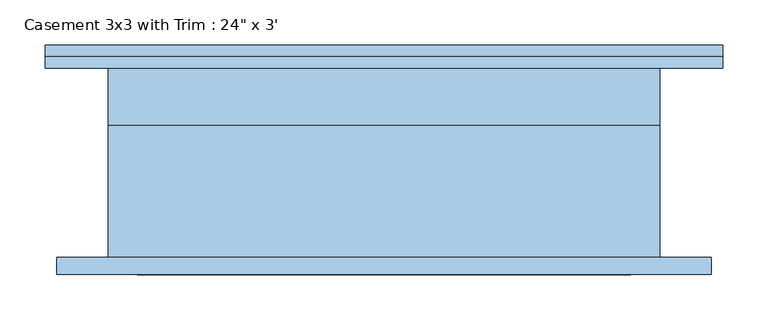
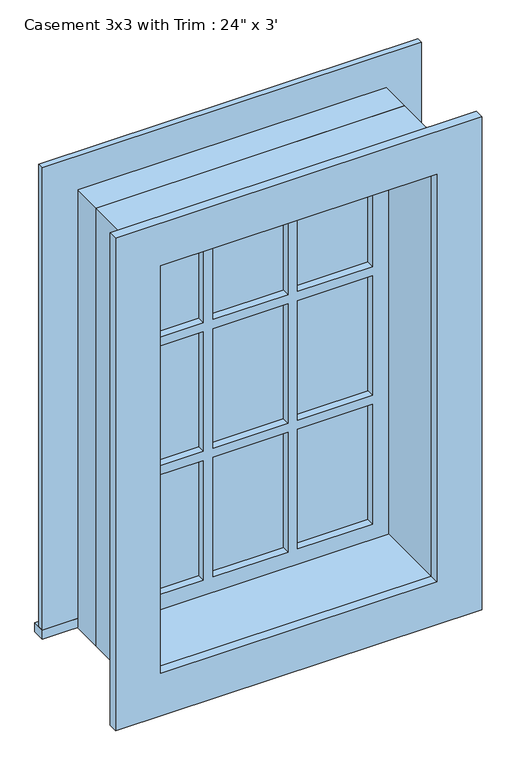
"""IFC4 building model written with IfcOpenShell, lengths in millimetres: window geometry."""

import ifcopenshell
import ifcopenshell.guid

model = None  # the IFC model being written
_history = None  # IfcOwnerHistory: only IFC2X3 demands one
_inside = {}  # id of a spatial element -> (the spatial element, [elements in it])
_under = {}  # id of a project, library or spatial element -> (it, [spatial elements below it])
_declared = {}  # id of a project -> (the project, [libraries it declares])
_typed = {}  # id of a type object -> (the type object, [elements of that type])
_made_of = {}  # id of a material, layer set ... -> (it, [elements and type objects made of it])


def new_model(schema):
    """Start an empty IFC model of exactly this schema.

    Asked for "IFC4X3", IfcOpenShell would pick the latest addendum, in which some entities
    have other attributes; the version numbers below select the first issue.
    IFC2X3 requires an IfcOwnerHistory on every rooted entity: one is made here for all.
    """
    global model, _history
    if schema == "IFC4X3":
        model = ifcopenshell.file(schema_version=(4, 3, 0, 0))
    else:
        model = ifcopenshell.file(schema=schema)
    _inside.clear()
    _under.clear()
    _declared.clear()
    _typed.clear()
    _made_of.clear()
    _history = None
    if model.schema == "IFC2X3":
        org = make("IfcOrganization", Name="unknown")
        user = make(
            "IfcPersonAndOrganization",
            ThePerson=make("IfcPerson", FamilyName="unknown"),
            TheOrganization=org,
        )
        app = make(
            "IfcApplication",
            ApplicationDeveloper=org,
            Version="unknown",
            ApplicationFullName="unknown",
            ApplicationIdentifier="unknown",
        )
        _history = make(
            "IfcOwnerHistory",
            OwningUser=user,
            OwningApplication=app,
            ChangeAction="ADDED",
            CreationDate=0,
        )
    return model


def make(cls, **values):
    """One entity of the class cls with the attributes given. An attribute that is None is left unset."""
    return model.create_entity(
        cls, **{name: value for name, value in values.items() if value is not None}
    )


def rooted(cls, **values):
    """An entity with a GlobalId (a new one), such as an element, a storey or a relation."""
    return make(cls, GlobalId=ifcopenshell.guid.new(), OwnerHistory=_history, **values)


def si_unit(unit_type, name, prefix=None):
    """IfcSIUnit, for example si_unit("LENGTHUNIT", "METRE", prefix="MILLI")."""
    return make("IfcSIUnit", UnitType=unit_type, Prefix=prefix, Name=name)


def assignment(units):
    """IfcUnitAssignment: the units of a project."""
    return None if units is None else make("IfcUnitAssignment", Units=units)


def point(xyz):
    """IfcCartesianPoint."""
    return None if xyz is None else make("IfcCartesianPoint", Coordinates=xyz)


def direction(xyz):
    """IfcDirection."""
    return None if xyz is None else make("IfcDirection", DirectionRatios=xyz)


def frame(location, z_axis=None, x_axis=None):
    """IfcAxis2Placement3D, a coordinate frame: its origin and axes. An axis left out is left unset."""
    return make(
        "IfcAxis2Placement3D",
        Location=point(location),
        Axis=direction(z_axis),
        RefDirection=direction(x_axis),
    )


def origin():
    """The frame at (0, 0, 0) with its axes left unset."""
    return frame((0.0, 0.0, 0.0))


def place(relative_to, where):
    """IfcLocalPlacement: puts the frame where relative to a parent placement (None: the world)."""
    return make(
        "IfcLocalPlacement", PlacementRelTo=relative_to, RelativePlacement=where
    )


def context(
    kind, dimensions, precision=None, world=None, true_north=None, identifier=None
):
    """IfcGeometricRepresentationContext, for example the 3D "Model" context."""
    return make(
        "IfcGeometricRepresentationContext",
        ContextIdentifier=identifier,
        ContextType=kind,
        CoordinateSpaceDimension=dimensions,
        Precision=precision,
        WorldCoordinateSystem=world,
        TrueNorth=true_north,
    )


def project(units=None, contexts=None):
    """IfcProject with its units and contexts."""
    return rooted(
        "IfcProject",
        Name="project",
        RepresentationContexts=contexts,
        UnitsInContext=assignment(units),
    )


def spatial(cls, under=None, at=None, **own):
    """A site, building, storey or space (cls), placed at a placement, below another one or the project."""
    s = rooted(cls, ObjectPlacement=at, **own)
    if under is not None:
        _under.setdefault(under.id(), (under, []))[1].append(s)
    return s


def polyline(points):
    """IfcPolyline through the points."""
    return make("IfcPolyline", Points=[point(p) for p in points])


def outline(outer, holes=None, kind="AREA"):
    """IfcArbitraryClosedProfileDef: a profile drawn as a closed curve; with holes, ...WithVoids."""
    if holes is None:
        return make("IfcArbitraryClosedProfileDef", ProfileType=kind, OuterCurve=outer)
    return make(
        "IfcArbitraryProfileDefWithVoids",
        ProfileType=kind,
        OuterCurve=outer,
        InnerCurves=holes,
    )


def extrude(swept, where, along, depth):
    """IfcExtrudedAreaSolid: the profile swept, set in the frame where, extruded along a direction by depth."""
    return make(
        "IfcExtrudedAreaSolid",
        SweptArea=swept,
        Position=where,
        ExtrudedDirection=direction(along),
        Depth=depth,
    )


def shape(context_of_items, identifier, shape_type, items):
    """IfcShapeRepresentation: the items that make up one representation, for example the "Body"."""
    return make(
        "IfcShapeRepresentation",
        ContextOfItems=context_of_items,
        RepresentationIdentifier=identifier,
        RepresentationType=shape_type,
        Items=items,
    )


def source(mapping_origin, context_of_items, identifier, shape_type, items):
    """IfcRepresentationMap: a shape defined once, which mapped items show again and again."""
    return make(
        "IfcRepresentationMap",
        MappingOrigin=mapping_origin,
        MappedRepresentation=shape(context_of_items, identifier, shape_type, items),
    )


def transform(
    local_origin,
    x_axis=None,
    y_axis=None,
    z_axis=None,
    scale=None,
    scale2=None,
    scale3=None,
    uniform=True,
):
    """IfcCartesianTransformationOperator3D, or its non-uniform kind. x_axis, y_axis, z_axis: its Axis1, 2, 3."""
    if uniform:
        return make(
            "IfcCartesianTransformationOperator3D",
            Axis1=direction(x_axis),
            Axis2=direction(y_axis),
            LocalOrigin=point(local_origin),
            Scale=scale,
            Axis3=direction(z_axis),
        )
    return make(
        "IfcCartesianTransformationOperator3DnonUniform",
        Axis1=direction(x_axis),
        Axis2=direction(y_axis),
        LocalOrigin=point(local_origin),
        Scale=scale,
        Axis3=direction(z_axis),
        Scale2=scale2,
        Scale3=scale3,
    )


def mapped(mapping_source, mapping_target):
    """IfcMappedItem: shows the shape of a source again, moved by a transform."""
    return make(
        "IfcMappedItem", MappingSource=mapping_source, MappingTarget=mapping_target
    )


def made_of(thing, what):
    """Note that an element or type object is made of a material, layer set ...; save() writes the relation."""
    if what is not None:
        _made_of.setdefault(what.id(), (what, []))[1].append(thing)
    return thing


def element(
    cls,
    number,
    at=None,
    inside=None,
    cuts=None,
    type_object=None,
    material=None,
    context=None,
    identifier="Body",
    shape_type=None,
    held_by="IfcProductDefinitionShape",
    body=None,
    shapes=None,
    **own,
):
    """One element of the class cls, such as IfcWall. Its Tag is "e" and its number.

    at: its placement. inside: the storey or other place that contains it. cuts: it is an
    opening in that element (IfcRelVoidsElement). A single representation is given by context,
    identifier, shape_type and body (its items); several are given by shapes. held_by: the class
    of the entity that holds the representations. save() writes the other relations.
    """
    e = rooted(cls, Tag="e%d" % number, ObjectPlacement=at, **own)
    if body is not None:
        shapes = [shape(context, identifier, shape_type, body)]
    if shapes is not None:
        e.Representation = make(held_by, Representations=shapes)
    if inside is not None:
        _inside.setdefault(inside.id(), (inside, []))[1].append(e)
    if cuts is not None:
        rooted(
            "IfcRelVoidsElement", RelatingBuildingElement=cuts, RelatedOpeningElement=e
        )
    if type_object is not None:
        _typed.setdefault(type_object.id(), (type_object, []))[1].append(e)
    return made_of(e, material)


def aggregate(whole, parts):
    """IfcRelAggregates: a whole, such as a stair, and the parts it consists of."""
    return rooted("IfcRelAggregates", RelatingObject=whole, RelatedObjects=parts)


def save(model, path):
    """Write the relations noted so far, then the file.

    IfcRelAggregates (storeys below a building ...), IfcRelContainedInSpatialStructure (elements
    in a storey), IfcRelDefinesByType, IfcRelAssociatesMaterial and IfcRelDeclares: one each for
    every whole, place, type object, material and project.
    """
    for whole, parts in _under.values():
        aggregate(whole, parts)
    for where, things in _inside.values():
        rooted(
            "IfcRelContainedInSpatialStructure",
            RelatedElements=things,
            RelatingStructure=where,
        )
    for kind, things in _typed.values():
        rooted("IfcRelDefinesByType", RelatedObjects=things, RelatingType=kind)
    for what, things in _made_of.values():
        rooted("IfcRelAssociatesMaterial", RelatedObjects=things, RelatingMaterial=what)
    for by, libraries in _declared.values():
        rooted("IfcRelDeclares", RelatingContext=by, RelatedDefinitions=libraries)
    model.write(path)


def window_09dee76c(model_context):
    return source(origin(), model_context, "Body", "SweptSolid", [
        extrude(outline(polyline([(-374.65, 130.175), (374.65, 130.175), (374.65, 104.775), (-374.65, 104.775), (-374.65, 130.175)])), frame((0.0, 0.0, 609.6), z_axis=(0.0, 0.0, 1.0), x_axis=(1.0, 0.0, 0.0)), (0.0, 0.0, 1.0), 19.05),
        extrude(outline(polyline([(1504.95, -285.75), (1504.95, 285.75), (628.65, 285.75), (628.65, 374.65), (1593.85, 374.65), (1593.85, -374.65), (628.65, -374.65), (628.65, -285.75), (1504.95, -285.75)])), frame((0.0, 104.775, 0.0), z_axis=(0.0, 1.0, 0.0), x_axis=(0.0, 0.0, 1.0)), (0.0, 0.0, 1.0), 12.7),
        extrude(outline(polyline([(93.1333333, 69.85), (241.3, 69.85), (241.3, 57.15), (93.1333333, 57.15), (93.1333333, 69.85)])), frame((0.0, 0.0, 1210.7333333), z_axis=(0.0, 0.0, 1.0), x_axis=(1.0, 0.0, 0.0)), (0.0, 0.0, 1.0), 249.7666667),
        extrude(outline(polyline([(-74.0833333, 69.85), (74.0833333, 69.85), (74.0833333, 57.15), (-74.0833333, 57.15), (-74.0833333, 69.85)])), frame((0.0, 0.0, 1210.7333333), z_axis=(0.0, 0.0, 1.0), x_axis=(1.0, 0.0, 0.0)), (0.0, 0.0, 1.0), 249.7666667),
        extrude(outline(polyline([(-241.3, 69.85), (-93.1333333, 69.85), (-93.1333333, 57.15), (-241.3, 57.15), (-241.3, 69.85)])), frame((0.0, 0.0, 1210.7333333), z_axis=(0.0, 0.0, 1.0), x_axis=(1.0, 0.0, 0.0)), (0.0, 0.0, 1.0), 249.7666667),
        extrude(outline(polyline([(-241.3, 69.85), (-93.1333333, 69.85), (-93.1333333, 57.15), (-241.3, 57.15), (-241.3, 69.85)])), frame((0.0, 0.0, 941.9166667), z_axis=(0.0, 0.0, 1.0), x_axis=(1.0, 0.0, 0.0)), (0.0, 0.0, 1.0), 249.7666667),
        extrude(outline(polyline([(-74.0833333, 69.85), (74.0833333, 69.85), (74.0833333, 57.15), (-74.0833333, 57.15), (-74.0833333, 69.85)])), frame((0.0, 0.0, 941.9166667), z_axis=(0.0, 0.0, 1.0), x_axis=(1.0, 0.0, 0.0)), (0.0, 0.0, 1.0), 249.7666667),
        extrude(outline(polyline([(93.1333333, 69.85), (241.3, 69.85), (241.3, 57.15), (93.1333333, 57.15), (93.1333333, 69.85)])), frame((0.0, 0.0, 941.9166667), z_axis=(0.0, 0.0, 1.0), x_axis=(1.0, 0.0, 0.0)), (0.0, 0.0, 1.0), 249.7666667),
        extrude(outline(polyline([(93.1333333, 69.85), (241.3, 69.85), (241.3, 57.15), (93.1333333, 57.15), (93.1333333, 69.85)])), frame((0.0, 0.0, 673.1), z_axis=(0.0, 0.0, 1.0), x_axis=(1.0, 0.0, 0.0)), (0.0, 0.0, 1.0), 249.7666667),
        extrude(outline(polyline([(-74.0833333, 69.85), (74.0833333, 69.85), (74.0833333, 57.15), (-74.0833333, 57.15), (-74.0833333, 69.85)])), frame((0.0, 0.0, 673.1), z_axis=(0.0, 0.0, 1.0), x_axis=(1.0, 0.0, 0.0)), (0.0, 0.0, 1.0), 249.7666667),
        extrude(outline(polyline([(-241.3, 69.85), (-93.1333333, 69.85), (-93.1333333, 57.15), (-241.3, 57.15), (-241.3, 69.85)])), frame((0.0, 0.0, 673.1), z_axis=(0.0, 0.0, 1.0), x_axis=(1.0, 0.0, 0.0)), (0.0, 0.0, 1.0), 249.7666667),
        extrude(outline(polyline([(1581.15, 361.95), (1581.15, -361.95), (552.45, -361.95), (552.45, 361.95), (1581.15, 361.95)]), holes=[polyline([(1492.25, 273.05), (641.35, 273.05), (641.35, -273.05), (1492.25, -273.05), (1492.25, 273.05)])]), frame((0.0, -123.825, 0.0), z_axis=(0.0, 1.0, 0.0), x_axis=(0.0, 0.0, 1.0)), (0.0, 0.0, 1.0), 19.05),
        extrude(outline(polyline([(1504.95, -285.75), (628.65, -285.75), (628.65, 285.75), (1504.95, 285.75), (1504.95, -285.75)]), holes=[polyline([(1460.5, -93.1333333), (1210.7333333, -93.1333333), (1210.7333333, -241.3), (1460.5, -241.3), (1460.5, -93.1333333)]), polyline([(1191.6833333, -93.1333333), (941.9166667, -93.1333333), (941.9166667, -241.3), (1191.6833333, -241.3), (1191.6833333, -93.1333333)]), polyline([(922.8666667, -93.1333333), (673.1, -93.1333333), (673.1, -241.3), (922.8666667, -241.3), (922.8666667, -93.1333333)]), polyline([(1460.5, 74.0833333), (1210.7333333, 74.0833333), (1210.7333333, -74.0833333), (1460.5, -74.0833333), (1460.5, 74.0833333)]), polyline([(1191.6833333, 74.0833333), (941.9166667, 74.0833333), (941.9166667, -74.0833333), (1191.6833333, -74.0833333), (1191.6833333, 74.0833333)]), polyline([(922.8666667, 74.0833333), (673.1, 74.0833333), (673.1, -74.0833333), (922.8666667, -74.0833333), (922.8666667, 74.0833333)]), polyline([(1460.5, 241.3), (1210.7333333, 241.3), (1210.7333333, 93.1333333), (1460.5, 93.1333333), (1460.5, 241.3)]), polyline([(1191.6833333, 241.3), (941.9166667, 241.3), (941.9166667, 93.1333333), (1191.6833333, 93.1333333), (1191.6833333, 241.3)]), polyline([(922.8666667, 241.3), (673.1, 241.3), (673.1, 93.1333333), (922.8666667, 93.1333333), (922.8666667, 241.3)])]), frame((0.0, 41.275, 0.0), z_axis=(0.0, 1.0, 0.0), x_axis=(0.0, 0.0, 1.0)), (0.0, 0.0, 1.0), 44.45),
        extrude(outline(polyline([(1524.0, -304.8), (609.6, -304.8), (609.6, 304.8), (1524.0, 304.8), (1524.0, -304.8)]), holes=[polyline([(1492.25, -273.05), (1492.25, 273.05), (641.35, 273.05), (641.35, -273.05), (1492.25, -273.05)])]), frame((0.0, -104.775, 0.0), z_axis=(0.0, 1.0, 0.0), x_axis=(0.0, 0.0, 1.0)), (0.0, 0.0, 1.0), 146.05),
        extrude(outline(polyline([(1524.0, 304.8), (1524.0, -304.8), (609.6, -304.8), (609.6, 304.8), (1524.0, 304.8)]), holes=[polyline([(1504.95, 285.75), (628.65, 285.75), (628.65, -285.75), (1504.95, -285.75), (1504.95, 285.75)])]), frame((0.0, 41.275, 0.0), z_axis=(0.0, 1.0, 0.0), x_axis=(0.0, 0.0, 1.0)), (0.0, 0.0, 1.0), 63.5),
    ])


if __name__ == "__main__":
    model = new_model("IFC4")
    model_context = context("Model", 3, world=origin())
    ifc_project = project(units=[si_unit("LENGTHUNIT", "METRE", prefix="MILLI")], contexts=[model_context])
    site = spatial("IfcSite", under=ifc_project)
    building = spatial("IfcBuilding", under=site)
    placement = place(None, origin())
    window_shape = window_09dee76c(model_context)
    element("IfcWindow", 1, ObjectType="Casement 3x3 with Trim : 24\" x 3'", at=placement, inside=building, context=model_context, shape_type="MappedRepresentation", body=[
        mapped(window_shape, transform((0.0, 0.0, 0.0), x_axis=(1.0, 0.0, 0.0), y_axis=(0.0, 1.0, 0.0), z_axis=(0.0, 0.0, 1.0))),
    ])
    save(model, "model.ifc")
